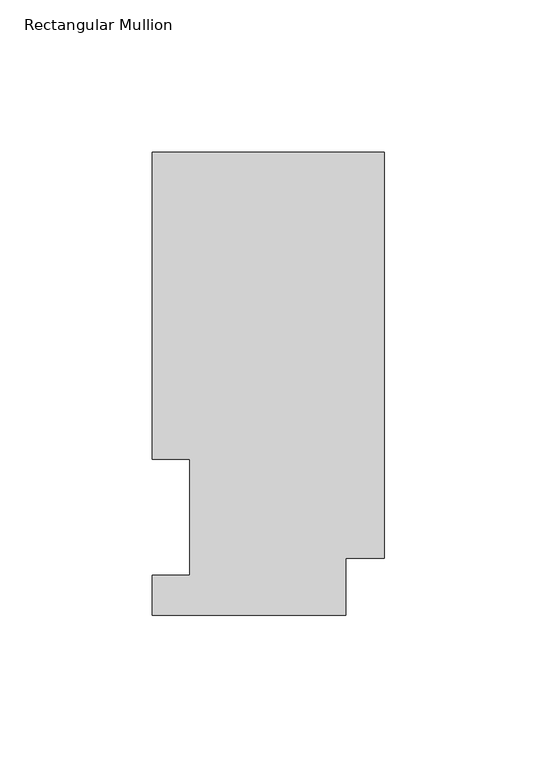
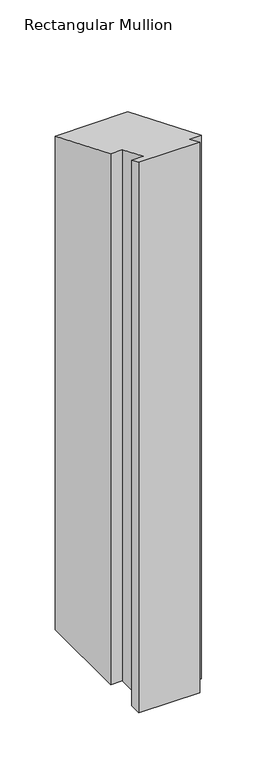
"""IFC4 building model written with IfcOpenShell, lengths in millimetres: member geometry, Rectangular Mullion."""

from ifc_helpers import new_model, si_unit, origin, place, context, project, spatial, faceted_brep, source, transform, mapped, element, save


def rectangular_mullion_364fade8(model_context):
    return source(origin(), model_context, "Body", "Brep", [
        faceted_brep([(-76.2, 151.9816937, -609.6), (0.0, 151.9816937, -609.6), (0.0, 18.7332937, -609.6), (-12.7, 18.7332937, -609.6), (-12.7, 0.0134937, -609.6), (-76.2, 0.0134937, -609.6), (-76.2, 13.1960938, -609.6), (-63.8581605, 13.1960937, -609.6), (-63.8581605, 51.2960938, -609.6), (-76.2, 51.2960938, -609.6), (-76.2, 51.2960938, -21.2475377), (-76.2, 151.9816937, -62.9528788), (-63.8581605, 51.2960938, -21.2475377), (-63.8581605, 13.1960937, -5.466001), (-76.2, 13.1960938, -5.466001), (-76.2, 0.0134937, -0.0055893), (-12.7, 0.0134937, -0.0055893), (-12.7, 18.7332937, -7.7595843), (0.0, 18.7332937, -7.7595843), (0.0, 151.9816937, -62.9528788)], [[[0, 1, 2, 3, 4, 5, 6, 7, 8, 9]], [[10, 11, 0, 9]], [[12, 10, 9, 8]], [[13, 12, 8, 7]], [[14, 13, 7, 6]], [[15, 14, 6, 5]], [[16, 15, 5, 4]], [[17, 16, 4, 3]], [[18, 17, 3, 2]], [[19, 18, 2, 1]], [[11, 19, 1, 0]], [[11, 10, 12, 13, 14, 15, 16, 17, 18, 19]]]),
    ])


if __name__ == "__main__":
    model = new_model("IFC4")
    model_context = context("Model", 3, world=origin())
    ifc_project = project(units=[si_unit("LENGTHUNIT", "METRE", prefix="MILLI")], contexts=[model_context])
    site = spatial("IfcSite", under=ifc_project)
    building = spatial("IfcBuilding", under=site)
    placement = place(None, origin())
    rectangular_mullion_shape = rectangular_mullion_364fade8(model_context)
    element("IfcMember", 1, ObjectType="Rectangular Mullion", at=placement, inside=building, context=model_context, shape_type="MappedRepresentation", body=[
        mapped(rectangular_mullion_shape, transform((0.0, 0.0, 0.0), x_axis=(1.0, 0.0, 0.0), y_axis=(0.0, 1.0, 0.0), z_axis=(0.0, 0.0, 1.0))),
    ])
    save(model, "model.ifc")
